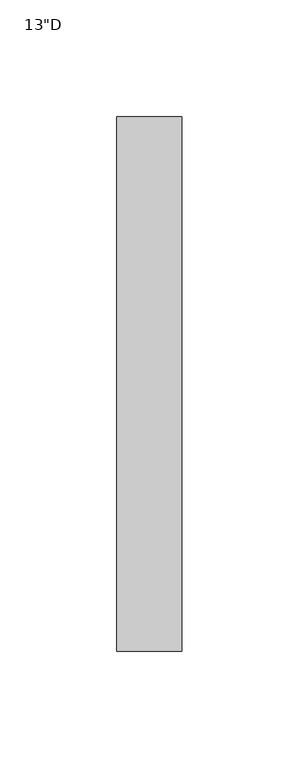
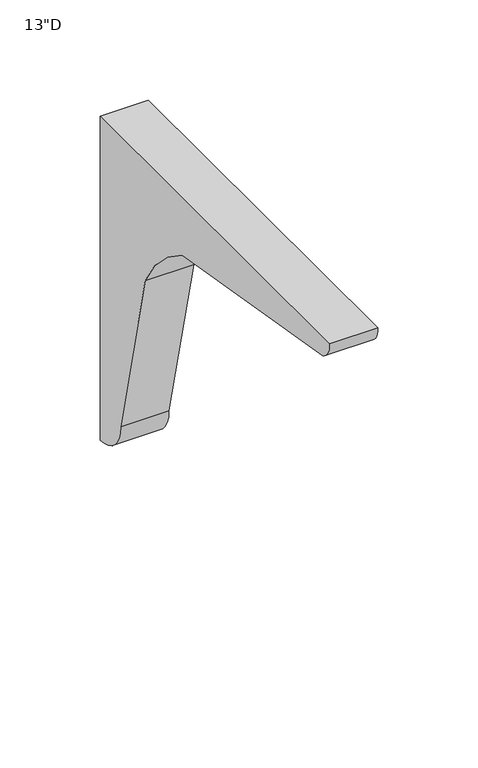
"""IFC4 building model written with IfcOpenShell, lengths in millimetres: furniture geometry."""

import ifcopenshell
import ifcopenshell.guid

model = None  # the IFC model being written
_history = None  # IfcOwnerHistory: only IFC2X3 demands one
_inside = {}  # id of a spatial element -> (the spatial element, [elements in it])
_under = {}  # id of a project, library or spatial element -> (it, [spatial elements below it])
_declared = {}  # id of a project -> (the project, [libraries it declares])
_typed = {}  # id of a type object -> (the type object, [elements of that type])
_made_of = {}  # id of a material, layer set ... -> (it, [elements and type objects made of it])


def new_model(schema):
    """Start an empty IFC model of exactly this schema.

    Asked for "IFC4X3", IfcOpenShell would pick the latest addendum, in which some entities
    have other attributes; the version numbers below select the first issue.
    IFC2X3 requires an IfcOwnerHistory on every rooted entity: one is made here for all.
    """
    global model, _history
    if schema == "IFC4X3":
        model = ifcopenshell.file(schema_version=(4, 3, 0, 0))
    else:
        model = ifcopenshell.file(schema=schema)
    _inside.clear()
    _under.clear()
    _declared.clear()
    _typed.clear()
    _made_of.clear()
    _history = None
    if model.schema == "IFC2X3":
        org = make("IfcOrganization", Name="unknown")
        user = make(
            "IfcPersonAndOrganization",
            ThePerson=make("IfcPerson", FamilyName="unknown"),
            TheOrganization=org,
        )
        app = make(
            "IfcApplication",
            ApplicationDeveloper=org,
            Version="unknown",
            ApplicationFullName="unknown",
            ApplicationIdentifier="unknown",
        )
        _history = make(
            "IfcOwnerHistory",
            OwningUser=user,
            OwningApplication=app,
            ChangeAction="ADDED",
            CreationDate=0,
        )
    return model


def make(cls, **values):
    """One entity of the class cls with the attributes given. An attribute that is None is left unset."""
    return model.create_entity(
        cls, **{name: value for name, value in values.items() if value is not None}
    )


def rooted(cls, **values):
    """An entity with a GlobalId (a new one), such as an element, a storey or a relation."""
    return make(cls, GlobalId=ifcopenshell.guid.new(), OwnerHistory=_history, **values)


def si_unit(unit_type, name, prefix=None):
    """IfcSIUnit, for example si_unit("LENGTHUNIT", "METRE", prefix="MILLI")."""
    return make("IfcSIUnit", UnitType=unit_type, Prefix=prefix, Name=name)


def assignment(units):
    """IfcUnitAssignment: the units of a project."""
    return None if units is None else make("IfcUnitAssignment", Units=units)


def point(xyz):
    """IfcCartesianPoint."""
    return None if xyz is None else make("IfcCartesianPoint", Coordinates=xyz)


def direction(xyz):
    """IfcDirection."""
    return None if xyz is None else make("IfcDirection", DirectionRatios=xyz)


def frame(location, z_axis=None, x_axis=None):
    """IfcAxis2Placement3D, a coordinate frame: its origin and axes. An axis left out is left unset."""
    return make(
        "IfcAxis2Placement3D",
        Location=point(location),
        Axis=direction(z_axis),
        RefDirection=direction(x_axis),
    )


def frame_2d(location, x_axis=None):
    """IfcAxis2Placement2D, a coordinate frame in the plane: its origin and x axis."""
    return make(
        "IfcAxis2Placement2D", Location=point(location), RefDirection=direction(x_axis)
    )


def origin():
    """The frame at (0, 0, 0) with its axes left unset."""
    return frame((0.0, 0.0, 0.0))


def place(relative_to, where):
    """IfcLocalPlacement: puts the frame where relative to a parent placement (None: the world)."""
    return make(
        "IfcLocalPlacement", PlacementRelTo=relative_to, RelativePlacement=where
    )


def context(
    kind, dimensions, precision=None, world=None, true_north=None, identifier=None
):
    """IfcGeometricRepresentationContext, for example the 3D "Model" context."""
    return make(
        "IfcGeometricRepresentationContext",
        ContextIdentifier=identifier,
        ContextType=kind,
        CoordinateSpaceDimension=dimensions,
        Precision=precision,
        WorldCoordinateSystem=world,
        TrueNorth=true_north,
    )


def project(units=None, contexts=None):
    """IfcProject with its units and contexts."""
    return rooted(
        "IfcProject",
        Name="project",
        RepresentationContexts=contexts,
        UnitsInContext=assignment(units),
    )


def spatial(cls, under=None, at=None, **own):
    """A site, building, storey or space (cls), placed at a placement, below another one or the project."""
    s = rooted(cls, ObjectPlacement=at, **own)
    if under is not None:
        _under.setdefault(under.id(), (under, []))[1].append(s)
    return s


def polyline(points):
    """IfcPolyline through the points."""
    return make("IfcPolyline", Points=[point(p) for p in points])


def circle_curve(where, radius):
    """IfcCircle in the frame where."""
    return make("IfcCircle", Position=where, Radius=radius)


def trimmed(basis, trim1, trim2, sense, master):
    """IfcTrimmedCurve: the piece of a basis curve between two trims."""
    return make(
        "IfcTrimmedCurve",
        BasisCurve=basis,
        Trim1=trim1,
        Trim2=trim2,
        SenseAgreement=sense,
        MasterRepresentation=master,
    )


def segment(curve, same_sense, transition):
    """IfcCompositeCurveSegment."""
    return make(
        "IfcCompositeCurveSegment",
        Transition=transition,
        SameSense=same_sense,
        ParentCurve=curve,
    )


def composite_curve(segments, self_intersect=None):
    """IfcCompositeCurve: segments joined end to end."""
    return make("IfcCompositeCurve", Segments=segments, SelfIntersect=self_intersect)


def outline(outer, holes=None, kind="AREA"):
    """IfcArbitraryClosedProfileDef: a profile drawn as a closed curve; with holes, ...WithVoids."""
    if holes is None:
        return make("IfcArbitraryClosedProfileDef", ProfileType=kind, OuterCurve=outer)
    return make(
        "IfcArbitraryProfileDefWithVoids",
        ProfileType=kind,
        OuterCurve=outer,
        InnerCurves=holes,
    )


def extrude(swept, where, along, depth):
    """IfcExtrudedAreaSolid: the profile swept, set in the frame where, extruded along a direction by depth."""
    return make(
        "IfcExtrudedAreaSolid",
        SweptArea=swept,
        Position=where,
        ExtrudedDirection=direction(along),
        Depth=depth,
    )


def shape(context_of_items, identifier, shape_type, items):
    """IfcShapeRepresentation: the items that make up one representation, for example the "Body"."""
    return make(
        "IfcShapeRepresentation",
        ContextOfItems=context_of_items,
        RepresentationIdentifier=identifier,
        RepresentationType=shape_type,
        Items=items,
    )


def source(mapping_origin, context_of_items, identifier, shape_type, items):
    """IfcRepresentationMap: a shape defined once, which mapped items show again and again."""
    return make(
        "IfcRepresentationMap",
        MappingOrigin=mapping_origin,
        MappedRepresentation=shape(context_of_items, identifier, shape_type, items),
    )


def transform(
    local_origin,
    x_axis=None,
    y_axis=None,
    z_axis=None,
    scale=None,
    scale2=None,
    scale3=None,
    uniform=True,
):
    """IfcCartesianTransformationOperator3D, or its non-uniform kind. x_axis, y_axis, z_axis: its Axis1, 2, 3."""
    if uniform:
        return make(
            "IfcCartesianTransformationOperator3D",
            Axis1=direction(x_axis),
            Axis2=direction(y_axis),
            LocalOrigin=point(local_origin),
            Scale=scale,
            Axis3=direction(z_axis),
        )
    return make(
        "IfcCartesianTransformationOperator3DnonUniform",
        Axis1=direction(x_axis),
        Axis2=direction(y_axis),
        LocalOrigin=point(local_origin),
        Scale=scale,
        Axis3=direction(z_axis),
        Scale2=scale2,
        Scale3=scale3,
    )


def mapped(mapping_source, mapping_target):
    """IfcMappedItem: shows the shape of a source again, moved by a transform."""
    return make(
        "IfcMappedItem", MappingSource=mapping_source, MappingTarget=mapping_target
    )


def made_of(thing, what):
    """Note that an element or type object is made of a material, layer set ...; save() writes the relation."""
    if what is not None:
        _made_of.setdefault(what.id(), (what, []))[1].append(thing)
    return thing


def element(
    cls,
    number,
    at=None,
    inside=None,
    cuts=None,
    type_object=None,
    material=None,
    context=None,
    identifier="Body",
    shape_type=None,
    held_by="IfcProductDefinitionShape",
    body=None,
    shapes=None,
    **own,
):
    """One element of the class cls, such as IfcWall. Its Tag is "e" and its number.

    at: its placement. inside: the storey or other place that contains it. cuts: it is an
    opening in that element (IfcRelVoidsElement). A single representation is given by context,
    identifier, shape_type and body (its items); several are given by shapes. held_by: the class
    of the entity that holds the representations. save() writes the other relations.
    """
    e = rooted(cls, Tag="e%d" % number, ObjectPlacement=at, **own)
    if body is not None:
        shapes = [shape(context, identifier, shape_type, body)]
    if shapes is not None:
        e.Representation = make(held_by, Representations=shapes)
    if inside is not None:
        _inside.setdefault(inside.id(), (inside, []))[1].append(e)
    if cuts is not None:
        rooted(
            "IfcRelVoidsElement", RelatingBuildingElement=cuts, RelatedOpeningElement=e
        )
    if type_object is not None:
        _typed.setdefault(type_object.id(), (type_object, []))[1].append(e)
    return made_of(e, material)


def aggregate(whole, parts):
    """IfcRelAggregates: a whole, such as a stair, and the parts it consists of."""
    return rooted("IfcRelAggregates", RelatingObject=whole, RelatedObjects=parts)


def save(model, path):
    """Write the relations noted so far, then the file.

    IfcRelAggregates (storeys below a building ...), IfcRelContainedInSpatialStructure (elements
    in a storey), IfcRelDefinesByType, IfcRelAssociatesMaterial and IfcRelDeclares: one each for
    every whole, place, type object, material and project.
    """
    for whole, parts in _under.values():
        aggregate(whole, parts)
    for where, things in _inside.values():
        rooted(
            "IfcRelContainedInSpatialStructure",
            RelatedElements=things,
            RelatingStructure=where,
        )
    for kind, things in _typed.values():
        rooted("IfcRelDefinesByType", RelatedObjects=things, RelatingType=kind)
    for what, things in _made_of.values():
        rooted("IfcRelAssociatesMaterial", RelatedObjects=things, RelatingMaterial=what)
    for by, libraries in _declared.values():
        rooted("IfcRelDeclares", RelatingContext=by, RelatedDefinitions=libraries)
    model.write(path)


def furniture_28f67bec(model_context):
    return source(origin(), model_context, "Body", "SweptSolid", [
        extrude(outline(composite_curve([segment(trimmed(circle_curve(frame_2d((-143.9606717, 852.5506832)), 86.0560025), [point((-66.8363066, 890.7274809))], [point((-103.3820864, 928.4388509))], True, "CARTESIAN"), True, "CONTINUOUS"), segment(polyline([(-103.3820864, 928.4388509), (-243.6532059, 952.5261524)]), True, "CONTINUOUS"), segment(trimmed(circle_curve(frame_2d((-239.3486305, 962.7007811)), 11.0477345), [point((-243.6532059, 952.5261524))], [point((-250.35256, 963.68362))], False, "CARTESIAN"), True, "CONTINUOUS"), segment(polyline([(-250.35256, 963.68362), (-21.75256, 963.68362), (-21.75256, 766.436745)]), True, "CONTINUOUS"), segment(trimmed(circle_curve(frame_2d((-21.75256, 786.8380865)), 20.4013415), [point((-21.75256, 766.436745))], [point((-42.1539008, 786.8326748))], False, "CARTESIAN"), True, "CONTINUOUS"), segment(polyline([(-42.1539008, 786.8326748), (-66.8363066, 890.7274809)]), True, "CONTINUOUS")], self_intersect=False)), frame((4.8493945, 0.0, 0.0), z_axis=(1.0, 0.0, 0.0), x_axis=(0.0, 1.0, 0.0)), (0.0, 0.0, 1.0), 27.78125),
    ])


if __name__ == "__main__":
    model = new_model("IFC4")
    model_context = context("Model", 3, world=origin())
    ifc_project = project(units=[si_unit("LENGTHUNIT", "METRE", prefix="MILLI")], contexts=[model_context])
    site = spatial("IfcSite", under=ifc_project)
    building = spatial("IfcBuilding", under=site)
    placement = place(None, origin())
    furniture_shape = furniture_28f67bec(model_context)
    element("IfcFurniture", 1, ObjectType="13\"D", at=placement, inside=building, context=model_context, shape_type="MappedRepresentation", body=[
        mapped(furniture_shape, transform((0.0, 0.0, 0.0), x_axis=(1.0, 0.0, 0.0), y_axis=(0.0, 1.0, 0.0), z_axis=(0.0, 0.0, 1.0))),
    ])
    save(model, "model.ifc")
